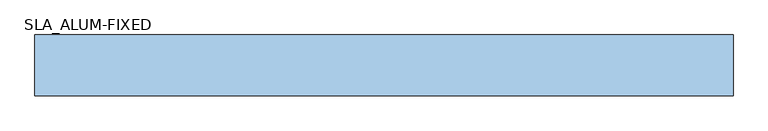
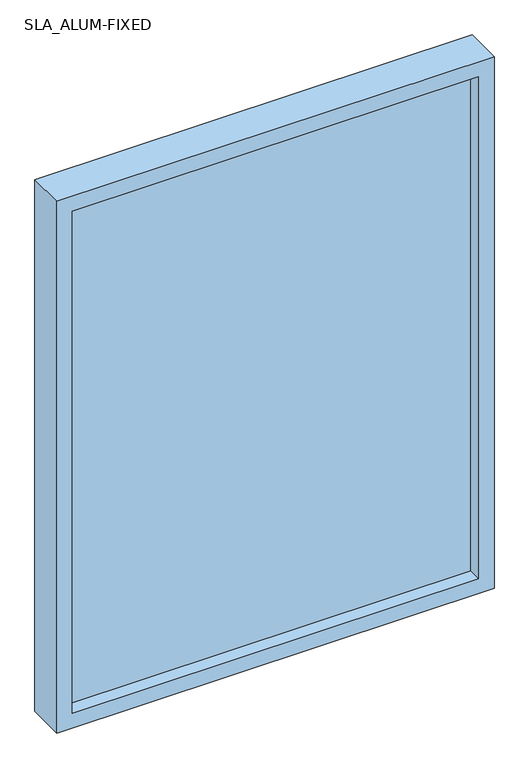
"""IFC4 building model written with IfcOpenShell, lengths in millimetres: window geometry, SLA_ALUM-FIXED."""

from ifc_helpers import new_model, si_unit, frame, origin, place, context, project, spatial, polyline, outline, extrude, source, transform, mapped, element, save


def sla_alum_fixed_68627950(model_context):
    return source(origin(), model_context, "Body", "SweptSolid", [
        extrude(outline(polyline([(-1320.8, -48.7863346), (-1320.8, -23.3863346), (0.0, -23.3863346), (0.0, -48.7863346), (-1320.8, -48.7863346)])), frame((0.0, 0.0, 1574.8), z_axis=(0.0, 0.0, 1.0), x_axis=(1.0, 0.0, 0.0)), (0.0, 0.0, 1.0), 1727.2),
        extrude(outline(polyline([(3352.8, -1371.6), (1524.0, -1371.6), (1524.0, 50.8), (3352.8, 50.8), (3352.8, -1371.6)]), holes=[polyline([(3302.0, 0.0), (1574.8, 0.0), (1574.8, -1320.8), (3302.0, -1320.8), (3302.0, 0.0)])]), frame((0.0, -93.2363346, 0.0), z_axis=(0.0, 1.0, 0.0), x_axis=(0.0, 0.0, 1.0)), (0.0, 0.0, 1.0), 123.825),
    ])


if __name__ == "__main__":
    model = new_model("IFC4")
    model_context = context("Model", 3, world=origin())
    ifc_project = project(units=[si_unit("LENGTHUNIT", "METRE", prefix="MILLI")], contexts=[model_context])
    site = spatial("IfcSite", under=ifc_project)
    building = spatial("IfcBuilding", under=site)
    placement = place(None, origin())
    sla_alum_fixed_shape = sla_alum_fixed_68627950(model_context)
    element("IfcWindow", 1, ObjectType="SLA_ALUM-FIXED", at=placement, inside=building, context=model_context, shape_type="MappedRepresentation", body=[
        mapped(sla_alum_fixed_shape, transform((0.0, 0.0, 0.0), x_axis=(1.0, 0.0, 0.0), y_axis=(0.0, 1.0, 0.0), z_axis=(0.0, 0.0, 1.0))),
    ])
    save(model, "model.ifc")
